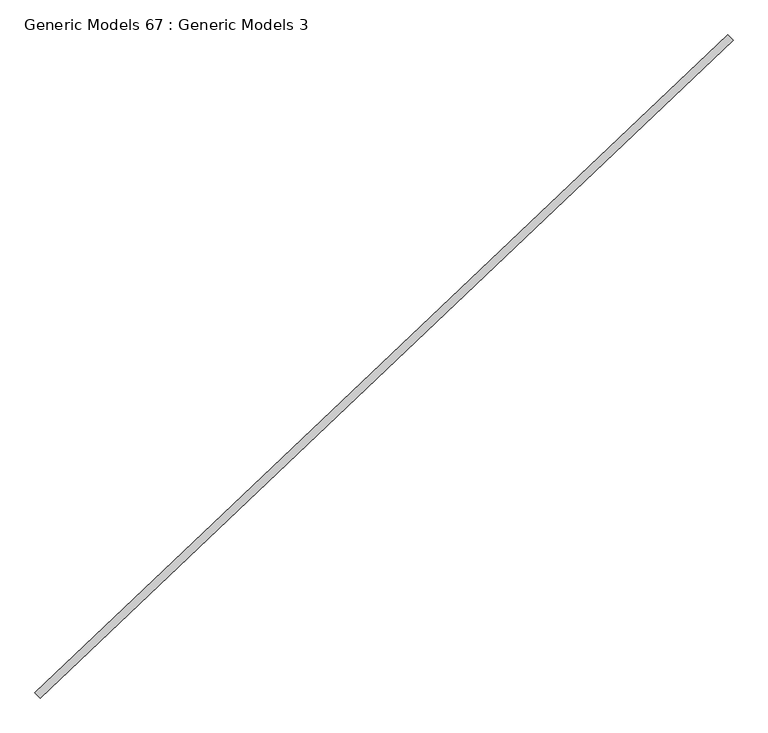
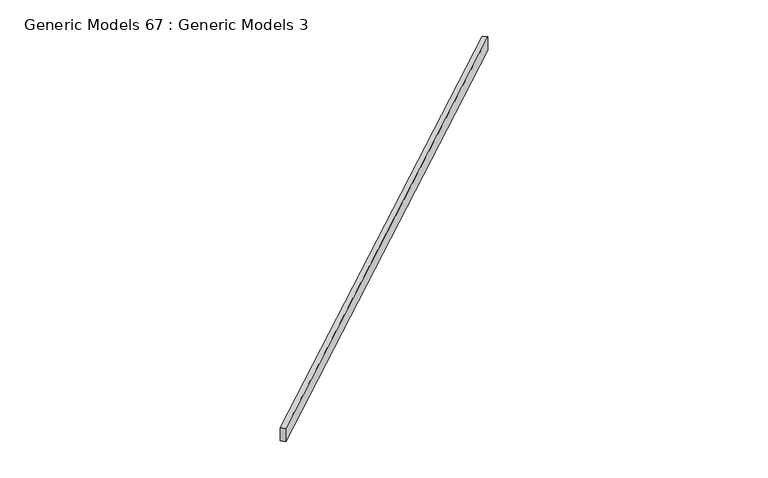
"""IFC4 building model written with IfcOpenShell, lengths in millimetres: proxy geometry, Generic Models 67 : Generic Models 3."""

from ifc_helpers import new_model, si_unit, frame, origin, place, context, project, spatial, polyline, outline, extrude, source, transform, mapped, element, save


def generic_models_67_generic_models_3_c5e927ac(model_context):
    return source(origin(), model_context, "Body", "SweptSolid", [
        extrude(outline(polyline([(116033.4752361, 52985.578347), (116129.0376937, 52884.8765284), (103390.7927675, 40796.7334512), (103295.2303099, 40897.4352698), (116033.4752361, 52985.578347)])), frame((0.0, 0.0, 17962.8850783), z_axis=(0.0, 0.0, 1.0), x_axis=(1.0, 0.0, 0.0)), (0.0, 0.0, 1.0), 395.2811589),
    ])


if __name__ == "__main__":
    model = new_model("IFC4")
    model_context = context("Model", 3, world=origin())
    ifc_project = project(units=[si_unit("LENGTHUNIT", "METRE", prefix="MILLI")], contexts=[model_context])
    site = spatial("IfcSite", under=ifc_project)
    building = spatial("IfcBuilding", under=site)
    placement = place(None, origin())
    generic_models_67_generic_models_3_shape = generic_models_67_generic_models_3_c5e927ac(model_context)
    element("IfcBuildingElementProxy", 1, Name="Generic Models 67 : Generic Models 3", ObjectType="Generic Models 67 : Generic Models 3", at=placement, inside=building, context=model_context, shape_type="MappedRepresentation", body=[
        mapped(generic_models_67_generic_models_3_shape, transform((0.0, 0.0, 0.0), x_axis=(1.0, 0.0, 0.0), y_axis=(0.0, 1.0, 0.0), z_axis=(0.0, 0.0, 1.0))),
    ])
    save(model, "model.ifc")
